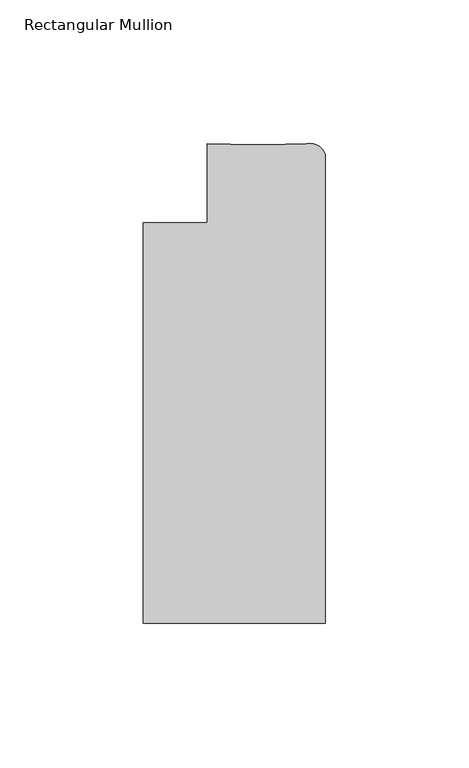
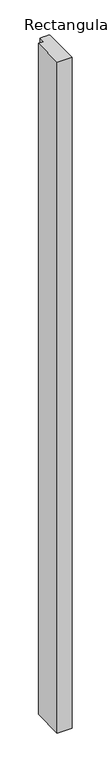
"""IFC4 building model written with IfcOpenShell, lengths in millimetres: member geometry, Rectangular Mullion."""

from ifc_helpers import new_model, si_unit, point, frame, frame_2d, origin, place, context, project, spatial, polyline, circle_curve, trimmed, segment, composite_curve, outline, extrude, source, transform, mapped, element, save


def rectangular_mullion_bff798bf(model_context):
    return source(origin(), model_context, "Body", "SweptSolid", [
        extrude(outline(composite_curve([segment(polyline([(-63.5, -139.6929896), (-63.5, 0.0070054), (-41.2794957, 0.0070054), (-41.2794957, 27.5669145), (-24.990061, 27.1215126), (-21.1935714, 27.1215126), (-6.6765587, 27.5549516)]), True, "CONTINUOUS"), segment(trimmed(circle_curve(frame_2d((-5.5577367, 21.727811)), 5.9335766), [point((-6.6765587, 27.5549516))], [point((0.0, 23.8060059))], False, "CARTESIAN"), True, "CONTINUOUS"), segment(polyline([(0.0, 23.8060059), (0.0, -139.6929896), (-63.5, -139.6929896)]), True, "CONTINUOUS")], self_intersect=False)), frame((0.0, 0.0, -3048.0), z_axis=(0.0, 0.0, 1.0), x_axis=(1.0, 0.0, 0.0)), (0.0, 0.0, 1.0), 3048.0),
    ])


if __name__ == "__main__":
    model = new_model("IFC4")
    model_context = context("Model", 3, world=origin())
    ifc_project = project(units=[si_unit("LENGTHUNIT", "METRE", prefix="MILLI")], contexts=[model_context])
    site = spatial("IfcSite", under=ifc_project)
    building = spatial("IfcBuilding", under=site)
    placement = place(None, origin())
    rectangular_mullion_shape = rectangular_mullion_bff798bf(model_context)
    element("IfcMember", 1, ObjectType="Rectangular Mullion", at=placement, inside=building, context=model_context, shape_type="MappedRepresentation", body=[
        mapped(rectangular_mullion_shape, transform((0.0, 0.0, 0.0), x_axis=(1.0, 0.0, 0.0), y_axis=(0.0, 1.0, 0.0), z_axis=(0.0, 0.0, 1.0))),
    ])
    save(model, "model.ifc")
